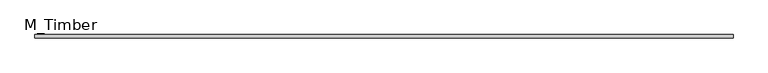
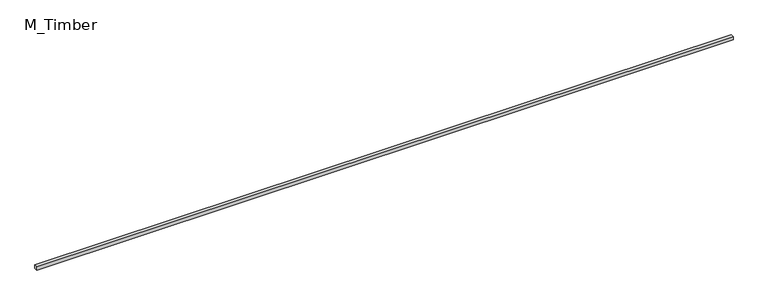
"""IFC4 building model written with IfcOpenShell, lengths in millimetres: beam geometry, M_Timber."""

from ifc_helpers import new_model, si_unit, frame, origin, place, context, project, spatial, polyline, outline, extrude, source, transform, mapped, element, save


def m_timber_22fb1357(model_context):
    return source(origin(), model_context, "Body", "SweptSolid", [
        extrude(outline(polyline([(4193.9982907, 20.0), (4193.9982907, -20.0), (-4193.9982907, -20.0), (-4193.9982907, 20.0), (4193.9982907, 20.0)])), frame((0.0, 0.0, -20.0), z_axis=(0.0, 0.0, 1.0), x_axis=(1.0, 0.0, 0.0)), (0.0, 0.0, 1.0), 40.0),
    ])


if __name__ == "__main__":
    model = new_model("IFC4")
    model_context = context("Model", 3, world=origin())
    ifc_project = project(units=[si_unit("LENGTHUNIT", "METRE", prefix="MILLI")], contexts=[model_context])
    site = spatial("IfcSite", under=ifc_project)
    building = spatial("IfcBuilding", under=site)
    placement = place(None, origin())
    m_timber_shape = m_timber_22fb1357(model_context)
    element("IfcBeam", 1, ObjectType="M_Timber", at=placement, inside=building, context=model_context, shape_type="MappedRepresentation", body=[
        mapped(m_timber_shape, transform((0.0, 0.0, 0.0), x_axis=(1.0, 0.0, 0.0), y_axis=(0.0, 1.0, 0.0), z_axis=(0.0, 0.0, 1.0))),
    ])
    save(model, "model.ifc")
